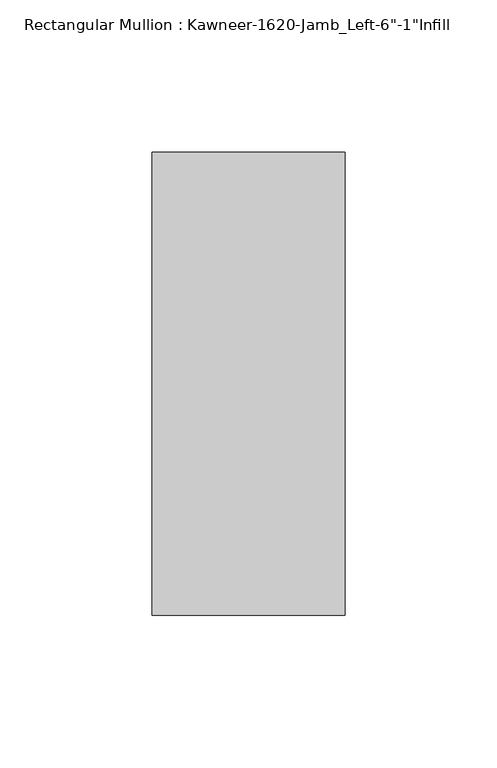
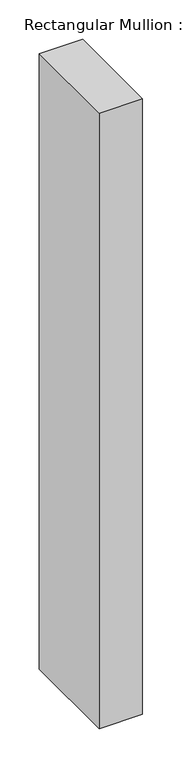
"""IFC4 building model written with IfcOpenShell, lengths in millimetres: member geometry."""

from ifc_helpers import new_model, si_unit, frame, origin, place, context, project, spatial, polyline, outline, extrude, source, transform, mapped, element, save


def member_df256dc6(model_context):
    return source(origin(), model_context, "Body", "SweptSolid", [
        extrude(outline(polyline([(-63.5, 38.1), (0.0, 38.1), (0.0, -114.3), (-63.5, -114.3), (-63.5, 38.1)])), frame((0.0, 0.0, -955.675), z_axis=(0.0, 0.0, 1.0), x_axis=(1.0, 0.0, 0.0)), (0.0, 0.0, 1.0), 955.675),
    ])


if __name__ == "__main__":
    model = new_model("IFC4")
    model_context = context("Model", 3, world=origin())
    ifc_project = project(units=[si_unit("LENGTHUNIT", "METRE", prefix="MILLI")], contexts=[model_context])
    site = spatial("IfcSite", under=ifc_project)
    building = spatial("IfcBuilding", under=site)
    placement = place(None, origin())
    member_shape = member_df256dc6(model_context)
    element("IfcMember", 1, ObjectType="Rectangular Mullion : Kawneer-1620-Jamb_Left-6\"-1\"Infill", at=placement, inside=building, context=model_context, shape_type="MappedRepresentation", body=[
        mapped(member_shape, transform((0.0, 0.0, 0.0), x_axis=(1.0, 0.0, 0.0), y_axis=(0.0, 1.0, 0.0), z_axis=(0.0, 0.0, 1.0))),
    ])
    save(model, "model.ifc")
